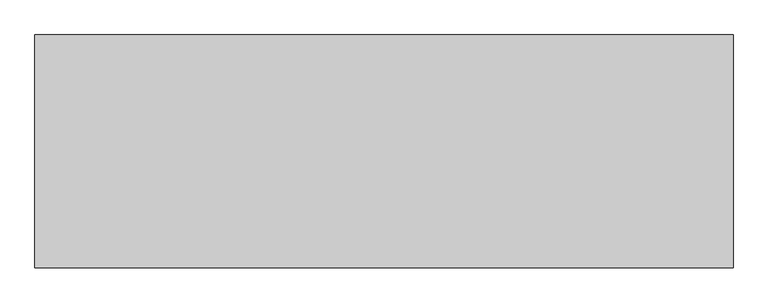
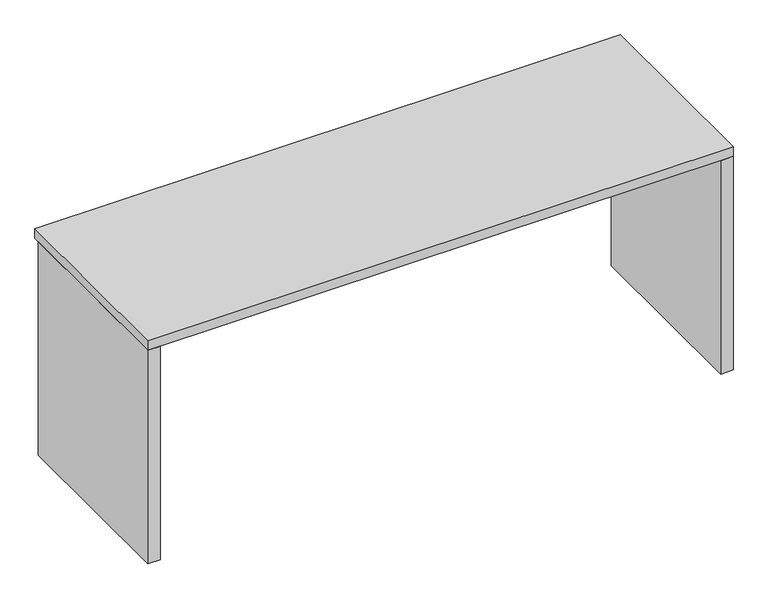
"""IFC4 building model written with IfcOpenShell, lengths in millimetres: furniture geometry."""

from ifc_helpers import new_model, si_unit, frame, origin, origin_with_axes, place, context, project, spatial, polyline, outline, extrude, source, transform, mapped, element, save


def furniture_c82f1375(model_context):
    return source(origin(), model_context, "Body", "SweptSolid", [
        extrude(outline(polyline([(1613.69375, -292.1), (1613.69375, -321.46875), (-137.31875, -321.46875), (-137.31875, -292.1), (1613.69375, -292.1)])), frame((0.0, 0.0, 406.4), z_axis=(0.0, 0.0, 1.0), x_axis=(1.0, 0.0, 0.0)), (0.0, 0.0, 1.0), 234.95),
        extrude(outline(polyline([(1652.5875, -273.05), (1652.5875, -863.6), (1613.69375, -863.6), (1613.69375, -273.05), (1652.5875, -273.05)])), origin_with_axes(), (0.0, 0.0, 1.0), 704.85),
        extrude(outline(polyline([(-137.31875, -273.05), (-137.31875, -863.6), (-176.2125, -863.6), (-176.2125, -273.05), (-137.31875, -273.05)])), origin_with_axes(), (0.0, 0.0, 1.0), 704.85),
        extrude(outline(polyline([(1652.5875, -254.0), (1652.5875, -863.6), (-176.2125, -863.6), (-176.2125, -254.0), (1652.5875, -254.0)])), frame((0.0, 0.0, 704.85), z_axis=(0.0, 0.0, 1.0), x_axis=(1.0, 0.0, 0.0)), (0.0, 0.0, 1.0), 31.75),
    ])


if __name__ == "__main__":
    model = new_model("IFC4")
    model_context = context("Model", 3, world=origin())
    ifc_project = project(units=[si_unit("LENGTHUNIT", "METRE", prefix="MILLI")], contexts=[model_context])
    site = spatial("IfcSite", under=ifc_project)
    building = spatial("IfcBuilding", under=site)
    placement = place(None, origin())
    furniture_shape = furniture_c82f1375(model_context)
    element("IfcFurniture", 1, at=placement, inside=building, context=model_context, shape_type="MappedRepresentation", body=[
        mapped(furniture_shape, transform((0.0, 0.0, 0.0), x_axis=(1.0, 0.0, 0.0), y_axis=(0.0, 1.0, 0.0), z_axis=(0.0, 0.0, 1.0))),
    ])
    save(model, "model.ifc")
